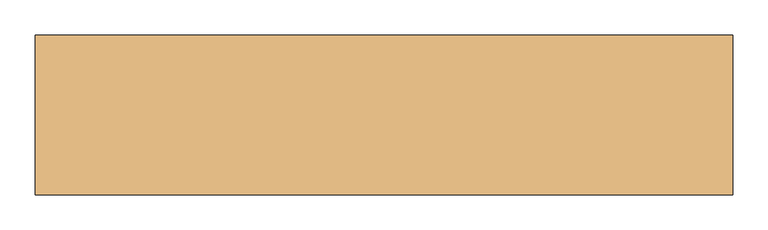
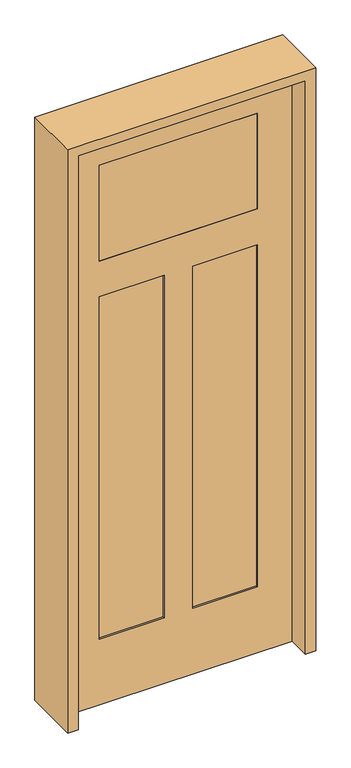
"""IFC4 building model written with IfcOpenShell, lengths in millimetres: door geometry."""

from ifc_helpers import new_model, si_unit, frame, origin, place, context, project, spatial, polyline, outline, extrude, faceted_brep, source, transform, mapped, element, save


def door_715b732a(model_context):
    return source(origin(), model_context, "Body", "SolidModel", [
        faceted_brep([(457.2, 20.6375, 0.0), (457.2, -20.6375, 0.0), (-457.2, -20.6375, 0.0), (-457.2, 20.6375, 0.0), (457.2, 20.6375, 2438.4), (457.2, -20.6375, 2438.4), (-457.2, -20.6375, 2438.4), (-317.5, -20.6375, 2292.35), (317.5, -20.6375, 2292.35), (317.5, -20.6375, 1885.95), (-317.5, -20.6375, 1885.95), (-317.5, -20.6375, 1733.55), (-57.15, -20.6375, 1733.55), (-57.15, -20.6375, 279.4), (-317.5, -20.6375, 279.4), (57.15, -20.6375, 1733.55), (317.5, -20.6375, 1733.55), (317.5, -20.6375, 279.4), (57.15, -20.6375, 279.4), (-457.2, 20.6375, 2438.4), (-57.15, 20.6375, 1733.55), (-317.5, 20.6375, 1733.55), (-317.5, 20.6375, 279.4), (-57.15, 20.6375, 279.4), (317.5, 20.6375, 1733.55), (57.15, 20.6375, 1733.55), (57.15, 20.6375, 279.4), (317.5, 20.6375, 279.4), (317.5, 20.6375, 2292.35), (-317.5, 20.6375, 2292.35), (-317.5, 20.6375, 1885.95), (317.5, 20.6375, 1885.95), (-317.5, 14.2875, 1733.55), (-317.5, 14.2875, 279.4), (-57.15, 14.2875, 279.4), (-57.15, 14.2875, 1733.55), (57.15, 14.2875, 1733.55), (57.15, 14.2875, 279.4), (317.5, 14.2875, 279.4), (317.5, 14.2875, 1733.55), (-57.15, -14.2875, 1733.55), (-57.15, -14.2875, 279.4), (-317.5, -14.2875, 279.4), (-317.5, -14.2875, 1733.55), (317.5, -14.2875, 1733.55), (317.5, -14.2875, 279.4), (57.15, -14.2875, 279.4), (57.15, -14.2875, 1733.55)], [[[0, 1, 2, 3]], [[4, 5, 1, 0]], [[5, 6, 2, 1], [7, 8, 9, 10], [11, 12, 13, 14], [15, 16, 17, 18]], [[6, 19, 3, 2]], [[19, 4, 0, 3], [20, 21, 22, 23], [24, 25, 26, 27], [28, 29, 30, 31]], [[4, 19, 6, 5]], [[32, 33, 22, 21]], [[33, 34, 23, 22]], [[34, 35, 20, 23]], [[36, 37, 26, 25]], [[37, 38, 27, 26]], [[38, 39, 24, 27]], [[40, 41, 13, 12]], [[41, 42, 14, 13]], [[42, 43, 11, 14]], [[44, 45, 17, 16]], [[45, 46, 18, 17]], [[46, 47, 15, 18]], [[40, 43, 42, 41]], [[44, 47, 46, 45]], [[35, 34, 33, 32]], [[39, 38, 37, 36]], [[7, 29, 28, 8]], [[29, 7, 10, 30]], [[30, 10, 9, 31]], [[8, 28, 31, 9]], [[43, 40, 12, 11]], [[47, 44, 16, 15]], [[35, 32, 21, 20]], [[39, 36, 25, 24]]]),
        extrude(outline(polyline([(317.5, -20.6375), (-317.5, -20.6375), (-317.5, 20.6375), (317.5, 20.6375), (317.5, -20.6375)])), frame((0.0, 0.0, 1885.95), z_axis=(0.0, 0.0, 1.0), x_axis=(1.0, 0.0, 0.0)), (0.0, 0.0, 1.0), 406.4),
        extrude(outline(polyline([(2479.675, -498.475), (0.0, -498.475), (0.0, -457.2), (2438.4, -457.2), (2438.4, 457.2), (0.0, 457.2), (0.0, 498.475), (2479.675, 498.475), (2479.675, -498.475)])), frame((0.0, -114.3, 0.0), z_axis=(0.0, 1.0, 0.0), x_axis=(0.0, 0.0, 1.0)), (0.0, 0.0, 1.0), 228.6),
    ])


if __name__ == "__main__":
    model = new_model("IFC4")
    model_context = context("Model", 3, world=origin())
    ifc_project = project(units=[si_unit("LENGTHUNIT", "METRE", prefix="MILLI")], contexts=[model_context])
    site = spatial("IfcSite", under=ifc_project)
    building = spatial("IfcBuilding", under=site)
    placement = place(None, origin())
    door_shape = door_715b732a(model_context)
    element("IfcDoor", 1, at=placement, inside=building, context=model_context, shape_type="MappedRepresentation", body=[
        mapped(door_shape, transform((0.0, 0.0, 0.0), x_axis=(1.0, 0.0, 0.0), y_axis=(0.0, 1.0, 0.0), z_axis=(0.0, 0.0, 1.0))),
    ])
    save(model, "model.ifc")
